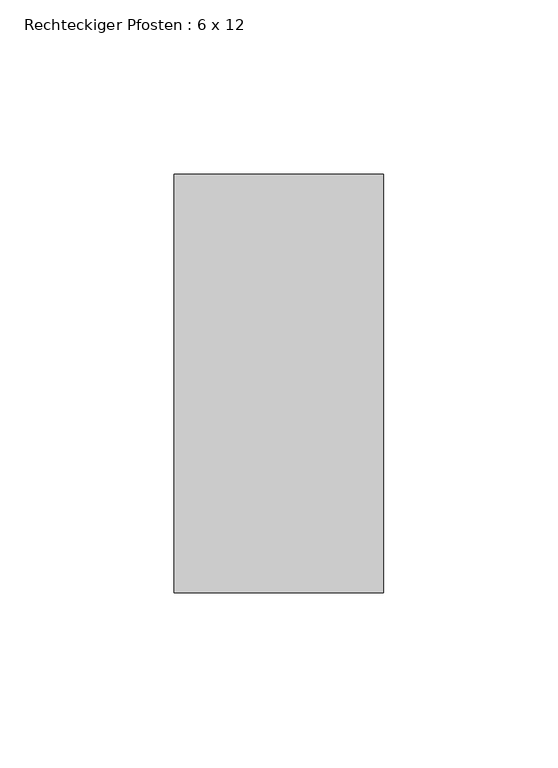
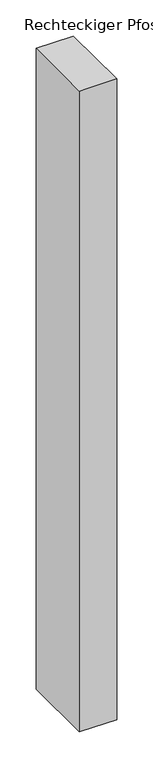
"""IFC4 building model written with IfcOpenShell, lengths in millimetres: member geometry, Rechteckiger Pfosten : 6 x 12."""

from ifc_helpers import new_model, si_unit, frame, origin, place, context, project, spatial, polyline, outline, extrude, source, transform, mapped, element, save


def rechteckiger_pfosten_6_x_12_8748832d(model_context):
    return source(origin(), model_context, "Body", "SweptSolid", [
        extrude(outline(polyline([(30.0, 60.0), (30.0, -60.0), (-30.0, -60.0), (-30.0, 60.0), (30.0, 60.0)])), frame((0.0, 0.0, -1084.9705474), z_axis=(0.0, 0.0, 1.0), x_axis=(1.0, 0.0, 0.0)), (0.0, 0.0, 1.0), 1084.9705474),
    ])


if __name__ == "__main__":
    model = new_model("IFC4")
    model_context = context("Model", 3, world=origin())
    ifc_project = project(units=[si_unit("LENGTHUNIT", "METRE", prefix="MILLI")], contexts=[model_context])
    site = spatial("IfcSite", under=ifc_project)
    building = spatial("IfcBuilding", under=site)
    placement = place(None, origin())
    rechteckiger_pfosten_6_x_12_shape = rechteckiger_pfosten_6_x_12_8748832d(model_context)
    element("IfcMember", 1, ObjectType="Rechteckiger Pfosten : 6 x 12", at=placement, inside=building, context=model_context, shape_type="MappedRepresentation", body=[
        mapped(rechteckiger_pfosten_6_x_12_shape, transform((0.0, 0.0, 0.0), x_axis=(1.0, 0.0, 0.0), y_axis=(0.0, 1.0, 0.0), z_axis=(0.0, 0.0, 1.0))),
    ])
    save(model, "model.ifc")
